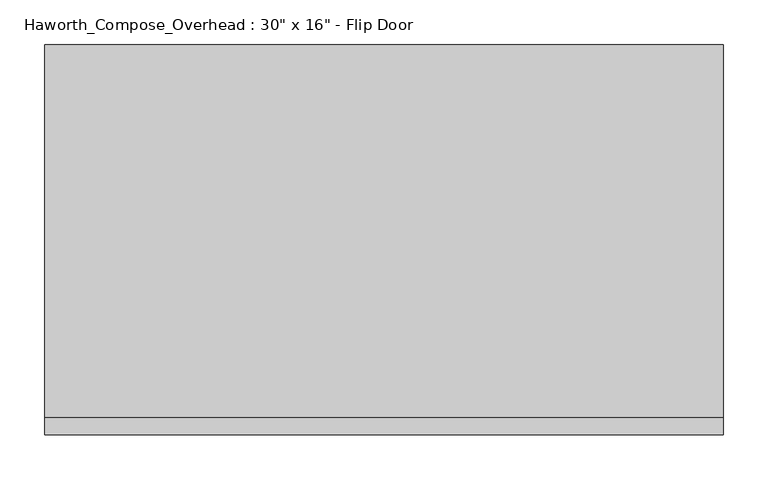
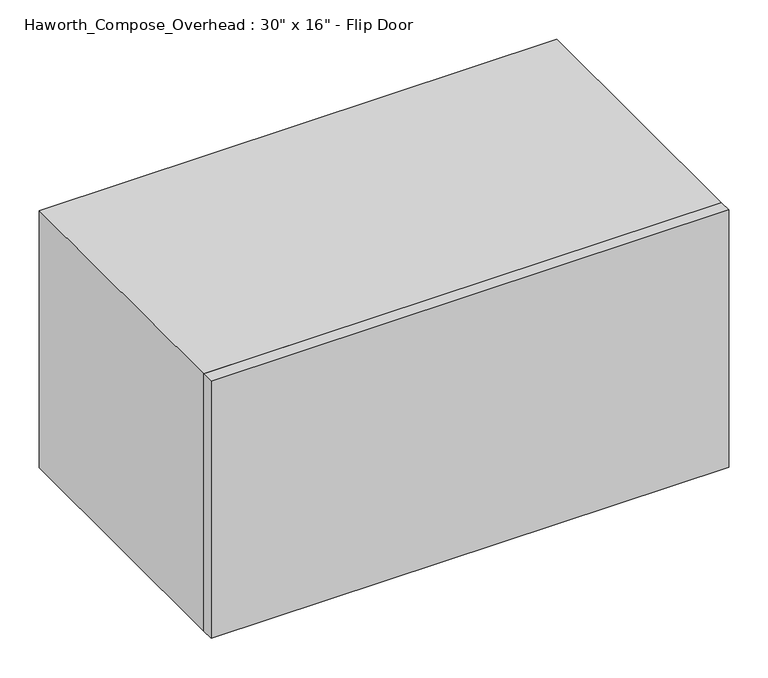
"""IFC4 building model written with IfcOpenShell, lengths in millimetres: furniture geometry."""

from ifc_helpers import new_model, si_unit, frame, origin, place, context, project, spatial, polyline, outline, extrude, source, transform, mapped, element, save


def furniture_8f24c409(model_context):
    return source(origin(), model_context, "Body", "SweptSolid", [
        extrude(outline(polyline([(546.1, -438.15), (-215.9, -438.15), (-215.9, -419.1), (546.1, -419.1), (546.1, -438.15)])), frame((0.0, 0.0, 1270.0), z_axis=(0.0, 0.0, 1.0), x_axis=(1.0, 0.0, 0.0)), (0.0, 0.0, 1.0), 400.05),
        extrude(outline(polyline([(520.7, -6.35), (-190.5, -6.35), (-190.5, 0.0), (520.7, 0.0), (520.7, -6.35)])), frame((0.0, 0.0, 1295.4), z_axis=(0.0, 0.0, 1.0), x_axis=(1.0, 0.0, 0.0)), (0.0, 0.0, 1.0), 349.25),
        extrude(outline(polyline([(1270.0, 546.1), (1670.05, 546.1), (1670.05, -215.9), (1270.0, -215.9), (1270.0, 546.1)]), holes=[polyline([(1644.65, 520.7), (1295.4, 520.7), (1295.4, -190.5), (1644.65, -190.5), (1644.65, 520.7)])]), frame((0.0, -419.1, 0.0), z_axis=(0.0, 1.0, 0.0), x_axis=(0.0, 0.0, 1.0)), (0.0, 0.0, 1.0), 419.1),
    ])


if __name__ == "__main__":
    model = new_model("IFC4")
    model_context = context("Model", 3, world=origin())
    ifc_project = project(units=[si_unit("LENGTHUNIT", "METRE", prefix="MILLI")], contexts=[model_context])
    site = spatial("IfcSite", under=ifc_project)
    building = spatial("IfcBuilding", under=site)
    placement = place(None, origin())
    furniture_shape = furniture_8f24c409(model_context)
    element("IfcFurniture", 1, ObjectType="Haworth_Compose_Overhead : 30\" x 16\" - Flip Door", at=placement, inside=building, context=model_context, shape_type="MappedRepresentation", body=[
        mapped(furniture_shape, transform((0.0, 0.0, 0.0), x_axis=(1.0, 0.0, 0.0), y_axis=(0.0, 1.0, 0.0), z_axis=(0.0, 0.0, 1.0))),
    ])
    save(model, "model.ifc")
